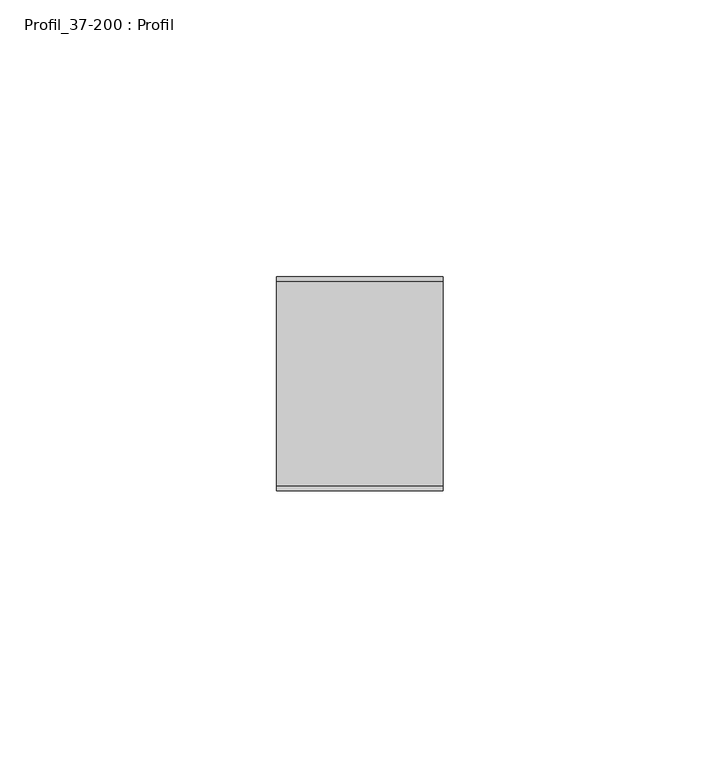
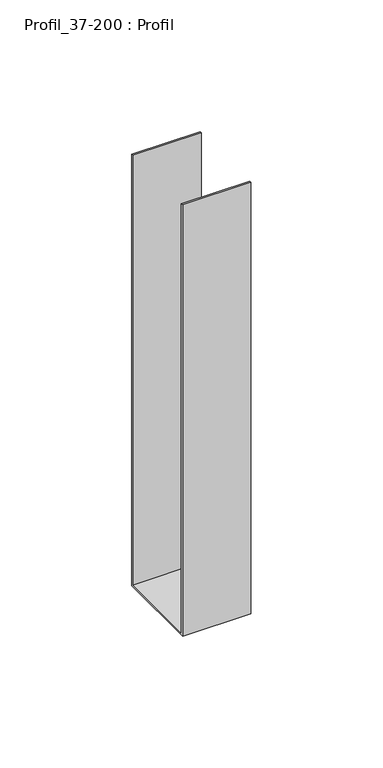
"""IFC4 building model written with IfcOpenShell, lengths in millimetres: proxy geometry, Profil_37-200 : Profil."""

from ifc_helpers import new_model, si_unit, frame, origin, place, context, project, spatial, polyline, outline, extrude, source, transform, mapped, element, save


def profil_37_200_profil_d8ce9412(model_context):
    return source(origin(), model_context, "Body", "SweptSolid", [
        extrude(outline(polyline([(-19.3, 200.0), (-18.5, 200.0), (-18.5, 0.8), (18.5, 0.8), (18.5, 200.0), (19.3, 200.0), (19.3, 0.0), (-19.3, 0.0), (-19.3, 200.0)])), frame((0.0, 0.0, 0.0), z_axis=(1.0, 0.0, 0.0), x_axis=(0.0, 1.0, 0.0)), (0.0, 0.0, 1.0), 30.0),
    ])


if __name__ == "__main__":
    model = new_model("IFC4")
    model_context = context("Model", 3, world=origin())
    ifc_project = project(units=[si_unit("LENGTHUNIT", "METRE", prefix="MILLI")], contexts=[model_context])
    site = spatial("IfcSite", under=ifc_project)
    building = spatial("IfcBuilding", under=site)
    placement = place(None, origin())
    profil_37_200_profil_shape = profil_37_200_profil_d8ce9412(model_context)
    element("IfcBuildingElementProxy", 1, Name="Profil_37-200 : Profil", ObjectType="Profil_37-200 : Profil", at=placement, inside=building, context=model_context, shape_type="MappedRepresentation", body=[
        mapped(profil_37_200_profil_shape, transform((0.0, 0.0, 0.0), x_axis=(1.0, 0.0, 0.0), y_axis=(0.0, 1.0, 0.0), z_axis=(0.0, 0.0, 1.0))),
    ])
    save(model, "model.ifc")
